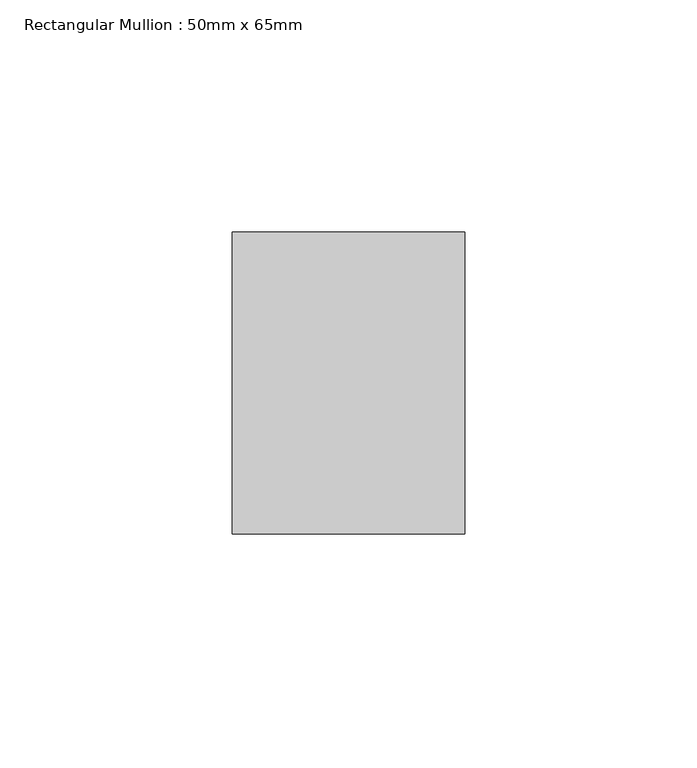
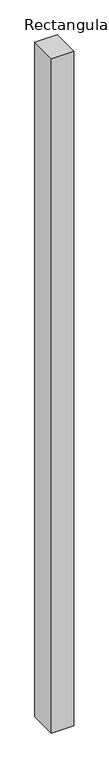
"""IFC4 building model written with IfcOpenShell, lengths in millimetres: member geometry, Rectangular Mullion : 50mm x 65mm."""

from ifc_helpers import new_model, si_unit, frame, origin, place, context, project, spatial, polyline, outline, extrude, source, transform, mapped, element, save


def rectangular_mullion_50mm_x_65mm_93138e54(model_context):
    return source(origin(), model_context, "Body", "SweptSolid", [
        extrude(outline(polyline([(25.0, 32.5), (25.0, -32.5), (-25.0, -32.5), (-25.0, 32.5), (25.0, 32.5)])), frame((0.0, 0.0, -1612.9642282), z_axis=(0.0, 0.0, 1.0), x_axis=(1.0, 0.0, 0.0)), (0.0, 0.0, 1.0), 1612.9642282),
    ])


if __name__ == "__main__":
    model = new_model("IFC4")
    model_context = context("Model", 3, world=origin())
    ifc_project = project(units=[si_unit("LENGTHUNIT", "METRE", prefix="MILLI")], contexts=[model_context])
    site = spatial("IfcSite", under=ifc_project)
    building = spatial("IfcBuilding", under=site)
    placement = place(None, origin())
    rectangular_mullion_50mm_x_65mm_shape = rectangular_mullion_50mm_x_65mm_93138e54(model_context)
    element("IfcMember", 1, ObjectType="Rectangular Mullion : 50mm x 65mm", at=placement, inside=building, context=model_context, shape_type="MappedRepresentation", body=[
        mapped(rectangular_mullion_50mm_x_65mm_shape, transform((0.0, 0.0, 0.0), x_axis=(1.0, 0.0, 0.0), y_axis=(0.0, 1.0, 0.0), z_axis=(0.0, 0.0, 1.0))),
    ])
    save(model, "model.ifc")
